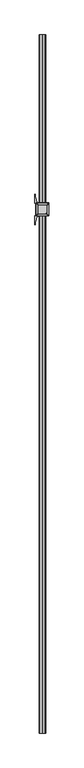
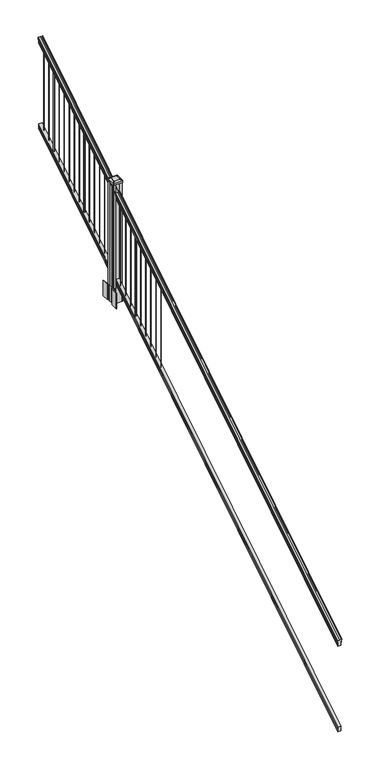
"""IFC4 building model written with IfcOpenShell, lengths in millimetres: railing geometry."""

from ifc_helpers import new_model, si_unit, point, frame, frame_2d, origin, place, context, project, spatial, polyline, circle_curve, ellipse_curve, trimmed, segment, composite_curve, outline, extrude, faceted_brep, source, transform, mapped, element, save
from ifc_brep_helpers import plane_surface, cylinder_surface, revolved_surface, extruded_surface, advanced_brep


def railing_d809eb6d(model_context):
    return source(origin(), model_context, "Body", "SolidModel", [
        advanced_brep(
        [(6977.4704765, -87458.4628453, 1133.2070492), (6977.4704765, -87458.4628453, 1135.4335658), (6978.6006628, -87458.4628453, 1137.2758543), (6978.6006628, -87458.4628453, 1145.7876358), (6977.9514064, -87458.4628453, 1148.6572588), (6980.4514064, -87458.4628453, 1153.7635509), (6981.8607489, -87458.4628453, 1155.7442021), (6982.2626479, -87458.4628453, 1157.0469579), (6982.2626478, -87458.4628453, 1158.6274846), (6980.7092005, -87458.4628453, 1160.4593836), (6960.0376478, -87458.4628453, 1160.4593836), (6939.366095, -87458.4628453, 1160.4593836), (6937.8126478, -87458.4628453, 1158.6274846), (6937.8126478, -87458.4628453, 1157.0469579), (6938.2145467, -87458.4628453, 1155.7442021), (6939.6238891, -87458.4628453, 1153.7635509), (6942.1238891, -87458.4628453, 1148.6572588), (6941.4746327, -87458.4628453, 1145.7876358), (6941.4746327, -87458.4628453, 1137.2758543), (6942.604819, -87458.4628453, 1135.4335658), (6942.604819, -87458.4628453, 1133.2070492), (6945.1786478, -87458.4628453, 1133.2070492), (6945.1786478, -87458.4628453, 1120.825537), (6944.1626478, -87458.4628453, 1119.6274214), (6944.1626478, -87458.4628453, 1104.9), (6975.9126478, -87458.4628453, 1104.9), (6975.9126478, -87458.4628453, 1119.441318), (6974.8966478, -87458.4628453, 1120.6394336), (6974.8966478, -87458.4628453, 1133.2070492), (6977.4704765, -82581.6628453, 4181.2070492), (6974.8966478, -82581.6628453, 4181.2070492), (6974.8966478, -82581.6628453, 4168.6394336), (6975.9126478, -82581.6628453, 4167.441318), (6975.9126478, -82581.6628453, 4152.9), (6944.1626478, -82581.6628453, 4152.9), (6944.1626478, -82581.6628453, 4167.6274214), (6945.1786478, -82581.6628453, 4168.825537), (6945.1786478, -82581.6628453, 4181.2070492), (6942.604819, -82581.6628453, 4181.2070492), (6942.604819, -82581.6628453, 4183.4335658), (6941.4746327, -82581.6628453, 4185.2758543), (6941.4746327, -82581.6628453, 4193.7876358), (6942.1238891, -82581.6628453, 4196.6572588), (6939.6238891, -82581.6628453, 4201.7635509), (6938.2145467, -82581.6628453, 4203.7442021), (6937.8126477, -82581.6628453, 4205.0469579), (6937.8126478, -82581.6628453, 4206.6274846), (6939.366095, -82581.6628453, 4208.4593836), (6960.0376478, -82581.6628453, 4208.4593836), (6980.7092005, -82581.6628453, 4208.4593836), (6982.2626478, -82581.6628453, 4206.6274846), (6982.2626478, -82581.6628453, 4205.0469579), (6981.8607489, -82581.6628453, 4203.7442021), (6980.4514064, -82581.6628453, 4201.7635509), (6977.9514064, -82581.6628453, 4196.6572588), (6978.6006628, -82581.6628453, 4193.7876358), (6978.6006628, -82581.6628453, 4185.2758543), (6977.4704765, -82581.6628453, 4183.4335658)],
        [
            (0, 1),
            (1, 2, ellipse_curve(frame((6971.1557232, -87458.4628453, 1142.2239405), z_axis=(0.0, -1.0, 0.0), x_axis=(0.0, 0.0, -1.0)), 10.0777926, 8.545951)),
            (2, 3, ellipse_curve(frame((6971.5927862, -87458.4628453, 1141.5317451), z_axis=(0.0, -1.0, 0.0), x_axis=(0.0, 0.0, -1.0)), 9.2955186, 7.882584)),
            (3, 4, ellipse_curve(frame((6982.1061103, -87458.4628453, 1148.4275077), z_axis=(0.0, 1.0, 0.0), x_axis=(0.0, 0.0, 1.0)), 4.9048088, 4.1592695)),
            (4, 5, ellipse_curve(frame((6983.3934169, -87458.4628453, 1148.3563208), z_axis=(0.0, 1.0, 0.0), x_axis=(0.0, 0.0, 1.0)), 6.4245301, 5.4479907)),
            (5, 6, ellipse_curve(frame((6982.1602584, -87458.4628453, 1153.7602333), z_axis=(0.0, 1.0, 0.0), x_axis=(0.0, 0.0, 1.0)), 2.0151625, 1.7088543)),
            (6, 7, ellipse_curve(frame((6980.5433583, -87458.4628453, 1157.0469579), z_axis=(0.0, -1.0, 0.0), x_axis=(0.0, 0.0, -1.0)), 2.0274681, 1.7192895)),
            (7, 8),
            (8, 9, ellipse_curve(frame((6980.7092005, -87458.4628453, 1158.6274846), z_axis=(0.0, -1.0, 0.0), x_axis=(0.0, 0.0, -1.0)), 1.831899, 1.5534472)),
            (9, 10),
            (10, 11),
            (11, 12, ellipse_curve(frame((6939.366095, -87458.4628453, 1158.6274846), z_axis=(0.0, -1.0, 0.0), x_axis=(0.0, 0.0, -1.0)), 1.831899, 1.5534472)),
            (12, 13),
            (13, 14, ellipse_curve(frame((6939.5319372, -87458.4628453, 1157.0469579), z_axis=(0.0, -1.0, 0.0), x_axis=(0.0, 0.0, -1.0)), 2.0274681, 1.7192895)),
            (14, 15, ellipse_curve(frame((6937.9150371, -87458.4628453, 1153.7602333), z_axis=(0.0, 1.0, 0.0), x_axis=(0.0, 0.0, 1.0)), 2.0151625, 1.7088543)),
            (15, 16, ellipse_curve(frame((6936.6818787, -87458.4628453, 1148.3563208), z_axis=(0.0, 1.0, 0.0), x_axis=(0.0, 0.0, 1.0)), 6.4245301, 5.4479907)),
            (16, 17, ellipse_curve(frame((6937.9691852, -87458.4628453, 1148.4275077), z_axis=(0.0, 1.0, 0.0), x_axis=(0.0, 0.0, 1.0)), 4.9048088, 4.1592695)),
            (17, 18, ellipse_curve(frame((6948.4825093, -87458.4628453, 1141.5317451), z_axis=(0.0, -1.0, 0.0), x_axis=(0.0, 0.0, -1.0)), 9.2955186, 7.882584)),
            (18, 19, ellipse_curve(frame((6948.9195723, -87458.4628453, 1142.2239405), z_axis=(0.0, -1.0, 0.0), x_axis=(0.0, 0.0, -1.0)), 10.0777926, 8.545951)),
            (19, 20),
            (20, 21, ellipse_curve(frame((6943.8917334, -87458.4628453, 1133.2070492), z_axis=(0.0, -1.0, 0.0), x_axis=(0.0, 0.0, -1.0)), 1.5175907, 1.2869144)),
            (21, 22),
            (22, 23),
            (23, 24),
            (24, 25),
            (25, 26),
            (26, 27),
            (27, 28),
            (28, 0, ellipse_curve(frame((6976.1835621, -87458.4628453, 1133.2070492), z_axis=(0.0, -1.0, 0.0), x_axis=(0.0, 0.0, -1.0)), 1.5175907, 1.2869144)),
            (29, 30, ellipse_curve(frame((6976.1835621, -82581.6628453, 4181.2070492), z_axis=(0.0, 1.0, 0.0), x_axis=(0.0, 0.0, -1.0)), 1.5175907, 1.2869144)),
            (30, 31),
            (31, 32),
            (32, 33),
            (33, 34),
            (34, 35),
            (35, 36),
            (36, 37),
            (37, 38, ellipse_curve(frame((6943.8917334, -82581.6628453, 4181.2070492), z_axis=(0.0, 1.0, 0.0), x_axis=(0.0, 0.0, -1.0)), 1.5175907, 1.2869144)),
            (38, 39),
            (39, 40, ellipse_curve(frame((6948.9195723, -82581.6628453, 4190.2239405), z_axis=(0.0, 1.0, 0.0), x_axis=(0.0, 0.0, -1.0)), 10.0777926, 8.545951)),
            (40, 41, ellipse_curve(frame((6948.4825093, -82581.6628453, 4189.5317451), z_axis=(0.0, 1.0, 0.0), x_axis=(0.0, 0.0, -1.0)), 9.2955186, 7.882584)),
            (41, 42, ellipse_curve(frame((6937.9691852, -82581.6628453, 4196.4275077), z_axis=(0.0, -1.0, 0.0), x_axis=(0.0, 0.0, 1.0)), 4.9048088, 4.1592695)),
            (42, 43, ellipse_curve(frame((6936.6818787, -82581.6628453, 4196.3563208), z_axis=(0.0, -1.0, 0.0), x_axis=(0.0, 0.0, 1.0)), 6.4245301, 5.4479907)),
            (43, 44, ellipse_curve(frame((6937.9150371, -82581.6628453, 4201.7602333), z_axis=(0.0, -1.0, 0.0), x_axis=(0.0, 0.0, 1.0)), 2.0151625, 1.7088543)),
            (44, 45, ellipse_curve(frame((6939.5319372, -82581.6628453, 4205.0469579), z_axis=(0.0, 1.0, 0.0), x_axis=(0.0, 0.0, -1.0)), 2.0274681, 1.7192895)),
            (45, 46),
            (46, 47, ellipse_curve(frame((6939.366095, -82581.6628453, 4206.6274846), z_axis=(0.0, 1.0, 0.0), x_axis=(0.0, 0.0, -1.0)), 1.831899, 1.5534472)),
            (47, 48),
            (48, 49),
            (49, 50, ellipse_curve(frame((6980.7092005, -82581.6628453, 4206.6274846), z_axis=(0.0, 1.0, 0.0), x_axis=(0.0, 0.0, -1.0)), 1.831899, 1.5534472)),
            (50, 51),
            (51, 52, ellipse_curve(frame((6980.5433583, -82581.6628453, 4205.0469579), z_axis=(0.0, 1.0, 0.0), x_axis=(0.0, 0.0, -1.0)), 2.0274681, 1.7192895)),
            (52, 53, ellipse_curve(frame((6982.1602584, -82581.6628453, 4201.7602333), z_axis=(0.0, -1.0, 0.0), x_axis=(0.0, 0.0, 1.0)), 2.0151625, 1.7088543)),
            (53, 54, ellipse_curve(frame((6983.3934169, -82581.6628453, 4196.3563208), z_axis=(0.0, -1.0, 0.0), x_axis=(0.0, 0.0, 1.0)), 6.4245301, 5.4479907)),
            (54, 55, ellipse_curve(frame((6982.1061103, -82581.6628453, 4196.4275077), z_axis=(0.0, -1.0, 0.0), x_axis=(0.0, 0.0, 1.0)), 4.9048088, 4.1592695)),
            (55, 56, ellipse_curve(frame((6971.5927862, -82581.6628453, 4189.5317451), z_axis=(0.0, 1.0, 0.0), x_axis=(0.0, 0.0, -1.0)), 9.2955186, 7.882584)),
            (56, 57, ellipse_curve(frame((6971.1557232, -82581.6628453, 4190.2239405), z_axis=(0.0, 1.0, 0.0), x_axis=(0.0, 0.0, -1.0)), 10.0777926, 8.545951)),
            (57, 29),
            (28, 30),
            (29, 0),
            (27, 31),
            (26, 32),
            (25, 33),
            (24, 34),
            (23, 35),
            (22, 36),
            (21, 37),
            (20, 38),
            (19, 39),
            (18, 40),
            (17, 41),
            (16, 42),
            (15, 43),
            (14, 44),
            (13, 45),
            (12, 46),
            (11, 47),
            (10, 48),
            (9, 49),
            (8, 50),
            (7, 51),
            (6, 52),
            (5, 53),
            (4, 54),
            (3, 55),
            (2, 56),
            (1, 57),
        ],
        [
            plane_surface(frame((6960.0376478, -87458.4628453, 1104.9), z_axis=(0.0, -1.0, 0.0), x_axis=(0.0, 0.0, 1.0))),
            plane_surface(frame((6960.0376478, -82581.6628453, 4152.9), z_axis=(0.0, 1.0, 0.0), x_axis=(0.0, 0.0, 1.0))),
            cylinder_surface(frame((6976.1835621, -87471.1851146, 1125.2556309), z_axis=(0.0, -0.8479983040051253, -0.5299989400031204), x_axis=(-1.0, 0.0, 0.0)), 1.2869144),
            plane_surface(frame((6974.8966478, -87458.4628453, 1120.6394336), z_axis=(1.0000000000000002, 0.0, 0.0), x_axis=(0.0, 0.8479983040051253, 0.5299989400031204))),
            plane_surface(frame((6975.9126478, -87458.4628453, 1119.441318), z_axis=(0.7071067811865389, -0.374765844497894, 0.5996253511967226), x_axis=(0.0, 0.8479983040051253, 0.5299989400031204))),
            plane_surface(frame((6975.9126478, -87458.4628453, 1104.9), z_axis=(1.0, 0.0, 0.0), x_axis=(0.0, 0.8479983040051252, 0.5299989400031204))),
            plane_surface(frame((6944.1626478, -87458.4628453, 1104.9), z_axis=(0.0, 0.5299989400031204, -0.8479983040051252), x_axis=(0.0, 0.8479983040051252, 0.5299989400031204))),
            plane_surface(frame((6944.1626478, -87458.4628453, 1119.6274214), z_axis=(-1.0, 0.0, 0.0), x_axis=(0.0, 0.8479983040051252, 0.5299989400031204))),
            plane_surface(frame((6945.1786478, -87458.4628453, 1120.825537), z_axis=(-0.7071067811865437, -0.37476584449788986, 0.5996253511967191), x_axis=(0.0, 0.8479983040051252, 0.5299989400031204))),
            plane_surface(frame((6945.1786478, -87458.4628453, 1133.2070492), z_axis=(-1.0, 0.0, 0.0), x_axis=(0.0, 0.8479983040051252, 0.5299989400031204))),
            cylinder_surface(frame((6943.8917334, -87471.1851146, 1125.2556309), z_axis=(0.0, -0.8479983040051253, -0.5299989400031204), x_axis=(1.0, 0.0, 0.0)), 1.2869144),
            plane_surface(frame((6942.604819, -87458.4628453, 1135.4335658), z_axis=(-1.0, 0.0, 0.0), x_axis=(0.0, 0.8479983040051252, 0.5299989400031204))),
            cylinder_surface(frame((6948.9195723, -87475.23765, 1131.7396876), z_axis=(0.0, -0.8479983040051253, -0.5299989400031204), x_axis=(1.0, 0.0, 0.0)), 8.545951),
            cylinder_surface(frame((6948.4825093, -87474.9265509, 1131.241929), z_axis=(0.0, -0.8479983040051253, -0.5299989400031204), x_axis=(1.0, 0.0, 0.0)), 7.882584),
            revolved_surface(polyline([(6942.1284547, -82579.45843685034, 4197.805262980552), (6942.1284547, -87460.66725374945, 1147.0497524190953)]), (6937.9691852, -87478.0257701, 1136.2006797), (0.0, 0.8479983040051253, 0.5299989400031204)),
            revolved_surface(polyline([(6942.129869400001, -82578.77541603574, 4198.160964077185), (6942.129869400001, -87461.35027455281, 1146.551677504493)]), (6936.6818787, -87477.993776, 1136.1494891), (0.0, 0.8479983040051253, 0.5299989400031204)),
            revolved_surface(polyline([(6939.6238914, -82580.75715429979, 4202.326290199658), (6939.6238914, -87459.36853632248, 1153.1941764359544)]), (6937.9150371, -87480.4225007, 1140.0354487), (0.0, 0.8479983040051253, 0.5299989400031204)),
            cylinder_surface(frame((6939.5319372, -87481.8996803, 1142.398936), z_axis=(0.0, -0.8479983040051253, -0.5299989400031204), x_axis=(1.0, 0.0, 0.0)), 1.7192895),
            plane_surface(frame((6937.8126478, -87458.4628453, 1158.6274846), z_axis=(-1.0, 0.0, 0.0), x_axis=(0.0, 0.8479983040051252, 0.5299989400031204))),
            cylinder_surface(frame((6939.366095, -87482.6100294, 1143.5354945), z_axis=(0.0, -0.8479983040051253, -0.5299989400031204), x_axis=(1.0, 0.0, 0.0)), 1.5534472),
            plane_surface(frame((6960.0376478, -87458.4628453, 1160.4593836), z_axis=(0.0, -0.5299989400031204, 0.8479983040051252), x_axis=(0.0, 0.8479983040051252, 0.5299989400031204))),
            plane_surface(frame((6980.7092005, -87458.4628453, 1160.4593836), z_axis=(0.0, -0.5299989400031204, 0.8479983040051252), x_axis=(0.0, 0.8479983040051252, 0.5299989400031204))),
            cylinder_surface(frame((6980.7092005, -87482.6100294, 1143.5354945), z_axis=(0.0, -0.8479983040051253, -0.5299989400031204), x_axis=(-1.0, 0.0, 0.0)), 1.5534472),
            plane_surface(frame((6982.2626478, -87458.4628453, 1157.0469579), z_axis=(1.0, 0.0, 0.0), x_axis=(0.0, 0.8479983040051252, 0.5299989400031204))),
            cylinder_surface(frame((6980.5433583, -87481.8996803, 1142.398936), z_axis=(0.0, -0.8479983040051253, -0.5299989400031204), x_axis=(-1.0, 0.0, 0.0)), 1.7192895),
            revolved_surface(polyline([(6980.4514041, -82580.75715429979, 4202.326290199658), (6980.4514041, -87459.36853632248, 1153.1941764359544)]), (6982.1602584, -87480.4225007, 1140.0354487), (0.0, 0.8479983040051253, 0.5299989400031204)),
            revolved_surface(polyline([(6977.9454262, -82578.77541603574, 4198.160964077185), (6977.9454262, -87461.35027455281, 1146.551677504493)]), (6983.3934169, -87477.993776, 1136.1494891), (0.0, 0.8479983040051253, 0.5299989400031204)),
            revolved_surface(polyline([(6977.9468408, -82579.45843685034, 4197.805262980552), (6977.9468408, -87460.66725374945, 1147.0497524190953)]), (6982.1061103, -87478.0257701, 1136.2006797), (0.0, 0.8479983040051253, 0.5299989400031204)),
            cylinder_surface(frame((6971.5927862, -87474.9265509, 1131.241929), z_axis=(0.0, -0.8479983040051253, -0.5299989400031204), x_axis=(-1.0, 0.0, 0.0)), 7.882584),
            cylinder_surface(frame((6971.1557232, -87475.23765, 1131.7396876), z_axis=(0.0, -0.8479983040051253, -0.5299989400031204), x_axis=(-1.0, 0.0, 0.0)), 8.545951),
            plane_surface(frame((6977.4704765, -87458.4628453, 1133.2070492), z_axis=(1.0, 0.0, 0.0), x_axis=(0.0, 0.8479983040051252, 0.5299989400031204))),
        ],
        [
            (0, [[1, 2, 3, 4, 5, 6, 7, 8, 9, 10, 11, 12, 13, 14, 15, 16, 17, 18, 19, 20, 21, 22, 23, 24, 25, 26, 27, 28, 29]]),
            (1, [[30, 31, 32, 33, 34, 35, 36, 37, 38, 39, 40, 41, 42, 43, 44, 45, 46, 47, 48, 49, 50, 51, 52, 53, 54, 55, 56, 57, 58]]),
            (2, [[-29, 59, -30, 60]]),
            (3, [[-28, 61, -31, -59]]),
            (4, [[-27, 62, -32, -61]]),
            (5, [[-26, 63, -33, -62]]),
            (6, [[-25, 64, -34, -63]]),
            (7, [[-24, 65, -35, -64]]),
            (8, [[-23, 66, -36, -65]]),
            (9, [[-22, 67, -37, -66]]),
            (10, [[-21, 68, -38, -67]]),
            (11, [[-20, 69, -39, -68]]),
            (12, [[-19, 70, -40, -69]]),
            (13, [[-18, 71, -41, -70]]),
            (14, [[-17, 72, -42, -71]]),
            (15, [[-16, 73, -43, -72]]),
            (16, [[-15, 74, -44, -73]]),
            (17, [[-14, 75, -45, -74]]),
            (18, [[-13, 76, -46, -75]]),
            (19, [[-12, 77, -47, -76]]),
            (20, [[-11, 78, -48, -77]]),
            (21, [[-10, 79, -49, -78]]),
            (22, [[-9, 80, -50, -79]]),
            (23, [[-8, 81, -51, -80]]),
            (24, [[-7, 82, -52, -81]]),
            (25, [[-6, 83, -53, -82]]),
            (26, [[-5, 84, -54, -83]]),
            (27, [[-4, 85, -55, -84]]),
            (28, [[-3, 86, -56, -85]]),
            (29, [[-2, 87, -57, -86]]),
            (30, [[-1, -60, -58, -87]]),
        ],
    ),
        faceted_brep([(6975.9501347, -87458.4628453, 268.8045079), (6974.9341347, -87458.4628453, 270.338026), (6974.9341347, -87458.4628453, 282.5545048), (6975.9501347, -87458.4628453, 284.1444579), (6975.9501347, -87458.4628453, 298.9244744), (6944.2001347, -87458.4628453, 298.9244744), (6944.2001347, -87458.4628453, 284.1248272), (6945.2161347, -87458.4628453, 282.5348741), (6945.2161347, -87458.4628453, 270.3748303), (6944.2001347, -87458.4628453, 268.7848772), (6944.2001347, -87458.4628453, 254.0), (6975.9501347, -87458.4628453, 254.0), (6975.9501347, -82581.6628453, 3316.8045079), (6975.9501347, -82581.6628453, 3302.0), (6944.2001347, -82581.6628453, 3302.0), (6944.2001347, -82581.6628453, 3316.7848772), (6945.2161347, -82581.6628453, 3318.3748303), (6945.2161347, -82581.6628453, 3330.5348741), (6944.2001347, -82581.6628453, 3332.1248272), (6944.2001347, -82581.6628453, 3346.9244744), (6975.9501347, -82581.6628453, 3346.9244744), (6975.9501347, -82581.6628453, 3332.1444579), (6974.9341347, -82581.6628453, 3330.5545048), (6974.9341347, -82581.6628453, 3318.338026)], [[[0, 1, 2, 3, 4, 5, 6, 7, 8, 9, 10, 11]], [[12, 13, 14, 15, 16, 17, 18, 19, 20, 21, 22, 23]], [[0, 11, 13, 12]], [[11, 10, 14, 13]], [[10, 9, 15, 14]], [[9, 8, 16, 15]], [[8, 7, 17, 16]], [[7, 6, 18, 17]], [[6, 5, 19, 18]], [[5, 4, 20, 19]], [[4, 3, 21, 20]], [[3, 2, 22, 21]], [[2, 1, 23, 22]], [[1, 0, 12, 23]]]),
        extrude(outline(composite_curve([segment(trimmed(circle_curve(frame_2d((6960.0376478, -82638.8128453)), 1.5875), [point((6961.6251478, -82638.8128453))], [point((6960.0376478, -82640.4003453))], False, "CARTESIAN"), True, "CONTINUOUS"), segment(trimmed(circle_curve(frame_2d((6960.0376478, -82638.8128453)), 1.5875), [point((6960.0376478, -82640.4003453))], [point((6958.4501478, -82638.8128453))], False, "CARTESIAN"), True, "CONTINUOUS"), segment(trimmed(circle_curve(frame_2d((6960.0376478, -82638.8128453)), 1.5875), [point((6958.4501478, -82638.8128453))], [point((6960.0376478, -82637.2253453))], False, "CARTESIAN"), True, "CONTINUOUS"), segment(trimmed(circle_curve(frame_2d((6960.0376478, -82638.8128453)), 1.5875), [point((6960.0376478, -82637.2253453))], [point((6961.6251478, -82638.8128453))], False, "CARTESIAN"), True, "CONTINUOUS")], self_intersect=False)), frame((0.0, 0.0, 3304.3771281), z_axis=(0.0, 0.0, 1.0), x_axis=(1.0, 0.0, 0.0)), (0.0, 0.0, 1.0), 812.8041219),
        extrude(outline(composite_curve([segment(trimmed(circle_curve(frame_2d((6960.0376478, -82721.3628453)), 1.5875), [point((6961.6251478, -82721.3628453))], [point((6960.0376478, -82722.9503453))], False, "CARTESIAN"), True, "CONTINUOUS"), segment(trimmed(circle_curve(frame_2d((6960.0376478, -82721.3628453)), 1.5875), [point((6960.0376478, -82722.9503453))], [point((6958.4501478, -82721.3628453))], False, "CARTESIAN"), True, "CONTINUOUS"), segment(trimmed(circle_curve(frame_2d((6960.0376478, -82721.3628453)), 1.5875), [point((6958.4501478, -82721.3628453))], [point((6960.0376478, -82719.7753453))], False, "CARTESIAN"), True, "CONTINUOUS"), segment(trimmed(circle_curve(frame_2d((6960.0376478, -82721.3628453)), 1.5875), [point((6960.0376478, -82719.7753453))], [point((6961.6251478, -82721.3628453))], False, "CARTESIAN"), True, "CONTINUOUS")], self_intersect=False)), frame((0.0, 0.0, 3252.7833781), z_axis=(0.0, 0.0, 1.0), x_axis=(1.0, 0.0, 0.0)), (0.0, 0.0, 1.0), 812.8041219),
        extrude(outline(composite_curve([segment(trimmed(circle_curve(frame_2d((6960.0376478, -82803.9128453)), 6.35), [point((6966.3876478, -82803.9128453))], [point((6960.0376478, -82810.2628453))], False, "CARTESIAN"), True, "CONTINUOUS"), segment(trimmed(circle_curve(frame_2d((6960.0376478, -82803.9128453)), 6.35), [point((6960.0376478, -82810.2628453))], [point((6953.6876478, -82803.9128453))], False, "CARTESIAN"), True, "CONTINUOUS"), segment(trimmed(circle_curve(frame_2d((6960.0376478, -82803.9128453)), 6.35), [point((6953.6876478, -82803.9128453))], [point((6960.0376478, -82797.5628453))], False, "CARTESIAN"), True, "CONTINUOUS"), segment(trimmed(circle_curve(frame_2d((6960.0376478, -82803.9128453)), 6.35), [point((6960.0376478, -82797.5628453))], [point((6966.3876478, -82803.9128453))], False, "CARTESIAN"), True, "CONTINUOUS")], self_intersect=False)), frame((0.0, 0.0, 3201.1896281), z_axis=(0.0, 0.0, 1.0), x_axis=(1.0, 0.0, 0.0)), (0.0, 0.0, 1.0), 812.8041219),
        extrude(outline(composite_curve([segment(trimmed(circle_curve(frame_2d((6960.0376478, -82886.4628453)), 1.5875), [point((6961.6251478, -82886.4628453))], [point((6960.0376478, -82888.0503453))], False, "CARTESIAN"), True, "CONTINUOUS"), segment(trimmed(circle_curve(frame_2d((6960.0376478, -82886.4628453)), 1.5875), [point((6960.0376478, -82888.0503453))], [point((6958.4501478, -82886.4628453))], False, "CARTESIAN"), True, "CONTINUOUS"), segment(trimmed(circle_curve(frame_2d((6960.0376478, -82886.4628453)), 1.5875), [point((6958.4501478, -82886.4628453))], [point((6960.0376478, -82884.8753453))], False, "CARTESIAN"), True, "CONTINUOUS"), segment(trimmed(circle_curve(frame_2d((6960.0376478, -82886.4628453)), 1.5875), [point((6960.0376478, -82884.8753453))], [point((6961.6251478, -82886.4628453))], False, "CARTESIAN"), True, "CONTINUOUS")], self_intersect=False)), frame((0.0, 0.0, 3149.5958781), z_axis=(0.0, 0.0, 1.0), x_axis=(1.0, 0.0, 0.0)), (0.0, 0.0, 1.0), 812.8041219),
        extrude(outline(composite_curve([segment(trimmed(circle_curve(frame_2d((6960.0376478, -82969.0128453)), 1.5875), [point((6961.6251478, -82969.0128453))], [point((6960.0376478, -82970.6003453))], False, "CARTESIAN"), True, "CONTINUOUS"), segment(trimmed(circle_curve(frame_2d((6960.0376478, -82969.0128453)), 1.5875), [point((6960.0376478, -82970.6003453))], [point((6958.4501478, -82969.0128453))], False, "CARTESIAN"), True, "CONTINUOUS"), segment(trimmed(circle_curve(frame_2d((6960.0376478, -82969.0128453)), 1.5875), [point((6958.4501478, -82969.0128453))], [point((6960.0376478, -82967.4253453))], False, "CARTESIAN"), True, "CONTINUOUS"), segment(trimmed(circle_curve(frame_2d((6960.0376478, -82969.0128453)), 1.5875), [point((6960.0376478, -82967.4253453))], [point((6961.6251478, -82969.0128453))], False, "CARTESIAN"), True, "CONTINUOUS")], self_intersect=False)), frame((0.0, 0.0, 3098.0021281), z_axis=(0.0, 0.0, 1.0), x_axis=(1.0, 0.0, 0.0)), (0.0, 0.0, 1.0), 812.8041219),
        extrude(outline(composite_curve([segment(trimmed(circle_curve(frame_2d((6960.0376478, -83051.5628453)), 1.5875), [point((6961.6251478, -83051.5628453))], [point((6960.0376478, -83053.1503453))], False, "CARTESIAN"), True, "CONTINUOUS"), segment(trimmed(circle_curve(frame_2d((6960.0376478, -83051.5628453)), 1.5875), [point((6960.0376478, -83053.1503453))], [point((6958.4501478, -83051.5628453))], False, "CARTESIAN"), True, "CONTINUOUS"), segment(trimmed(circle_curve(frame_2d((6960.0376478, -83051.5628453)), 1.5875), [point((6958.4501478, -83051.5628453))], [point((6960.0376478, -83049.9753453))], False, "CARTESIAN"), True, "CONTINUOUS"), segment(trimmed(circle_curve(frame_2d((6960.0376478, -83051.5628453)), 1.5875), [point((6960.0376478, -83049.9753453))], [point((6961.6251478, -83051.5628453))], False, "CARTESIAN"), True, "CONTINUOUS")], self_intersect=False)), frame((0.0, 0.0, 3046.4083781), z_axis=(0.0, 0.0, 1.0), x_axis=(1.0, 0.0, 0.0)), (0.0, 0.0, 1.0), 812.8041219),
        extrude(outline(composite_curve([segment(trimmed(circle_curve(frame_2d((6960.0376478, -83134.1128453)), 1.5875), [point((6961.6251478, -83134.1128453))], [point((6960.0376478, -83135.7003453))], False, "CARTESIAN"), True, "CONTINUOUS"), segment(trimmed(circle_curve(frame_2d((6960.0376478, -83134.1128453)), 1.5875), [point((6960.0376478, -83135.7003453))], [point((6958.4501478, -83134.1128453))], False, "CARTESIAN"), True, "CONTINUOUS"), segment(trimmed(circle_curve(frame_2d((6960.0376478, -83134.1128453)), 1.5875), [point((6958.4501478, -83134.1128453))], [point((6960.0376478, -83132.5253453))], False, "CARTESIAN"), True, "CONTINUOUS"), segment(trimmed(circle_curve(frame_2d((6960.0376478, -83134.1128453)), 1.5875), [point((6960.0376478, -83132.5253453))], [point((6961.6251478, -83134.1128453))], False, "CARTESIAN"), True, "CONTINUOUS")], self_intersect=False)), frame((0.0, 0.0, 2994.8146281), z_axis=(0.0, 0.0, 1.0), x_axis=(1.0, 0.0, 0.0)), (0.0, 0.0, 1.0), 812.8041219),
        extrude(outline(composite_curve([segment(trimmed(circle_curve(frame_2d((6960.0376478, -83216.6628453)), 1.5875), [point((6961.6251478, -83216.6628453))], [point((6960.0376478, -83218.2503453))], False, "CARTESIAN"), True, "CONTINUOUS"), segment(trimmed(circle_curve(frame_2d((6960.0376478, -83216.6628453)), 1.5875), [point((6960.0376478, -83218.2503453))], [point((6958.4501478, -83216.6628453))], False, "CARTESIAN"), True, "CONTINUOUS"), segment(trimmed(circle_curve(frame_2d((6960.0376478, -83216.6628453)), 1.5875), [point((6958.4501478, -83216.6628453))], [point((6960.0376478, -83215.0753453))], False, "CARTESIAN"), True, "CONTINUOUS"), segment(trimmed(circle_curve(frame_2d((6960.0376478, -83216.6628453)), 1.5875), [point((6960.0376478, -83215.0753453))], [point((6961.6251478, -83216.6628453))], False, "CARTESIAN"), True, "CONTINUOUS")], self_intersect=False)), frame((0.0, 0.0, 2943.2208781), z_axis=(0.0, 0.0, 1.0), x_axis=(1.0, 0.0, 0.0)), (0.0, 0.0, 1.0), 812.8041219),
        extrude(outline(composite_curve([segment(trimmed(circle_curve(frame_2d((6960.0376478, -83299.2128453)), 6.35), [point((6966.3876478, -83299.2128453))], [point((6960.0376478, -83305.5628453))], False, "CARTESIAN"), True, "CONTINUOUS"), segment(trimmed(circle_curve(frame_2d((6960.0376478, -83299.2128453)), 6.35), [point((6960.0376478, -83305.5628453))], [point((6953.6876478, -83299.2128453))], False, "CARTESIAN"), True, "CONTINUOUS"), segment(trimmed(circle_curve(frame_2d((6960.0376478, -83299.2128453)), 6.35), [point((6953.6876478, -83299.2128453))], [point((6960.0376478, -83292.8628453))], False, "CARTESIAN"), True, "CONTINUOUS"), segment(trimmed(circle_curve(frame_2d((6960.0376478, -83299.2128453)), 6.35), [point((6960.0376478, -83292.8628453))], [point((6966.3876478, -83299.2128453))], False, "CARTESIAN"), True, "CONTINUOUS")], self_intersect=False)), frame((0.0, 0.0, 2891.6271281), z_axis=(0.0, 0.0, 1.0), x_axis=(1.0, 0.0, 0.0)), (0.0, 0.0, 1.0), 812.8041219),
        extrude(outline(composite_curve([segment(trimmed(circle_curve(frame_2d((6960.0376478, -83381.7628453)), 1.5875), [point((6961.6251478, -83381.7628453))], [point((6960.0376478, -83383.3503453))], False, "CARTESIAN"), True, "CONTINUOUS"), segment(trimmed(circle_curve(frame_2d((6960.0376478, -83381.7628453)), 1.5875), [point((6960.0376478, -83383.3503453))], [point((6958.4501478, -83381.7628453))], False, "CARTESIAN"), True, "CONTINUOUS"), segment(trimmed(circle_curve(frame_2d((6960.0376478, -83381.7628453)), 1.5875), [point((6958.4501478, -83381.7628453))], [point((6960.0376478, -83380.1753453))], False, "CARTESIAN"), True, "CONTINUOUS"), segment(trimmed(circle_curve(frame_2d((6960.0376478, -83381.7628453)), 1.5875), [point((6960.0376478, -83380.1753453))], [point((6961.6251478, -83381.7628453))], False, "CARTESIAN"), True, "CONTINUOUS")], self_intersect=False)), frame((0.0, 0.0, 2840.0333781), z_axis=(0.0, 0.0, 1.0), x_axis=(1.0, 0.0, 0.0)), (0.0, 0.0, 1.0), 812.8041219),
        extrude(outline(composite_curve([segment(trimmed(circle_curve(frame_2d((6960.0376478, -83464.3128453)), 1.5875), [point((6961.6251478, -83464.3128453))], [point((6960.0376478, -83465.9003453))], False, "CARTESIAN"), True, "CONTINUOUS"), segment(trimmed(circle_curve(frame_2d((6960.0376478, -83464.3128453)), 1.5875), [point((6960.0376478, -83465.9003453))], [point((6958.4501478, -83464.3128453))], False, "CARTESIAN"), True, "CONTINUOUS"), segment(trimmed(circle_curve(frame_2d((6960.0376478, -83464.3128453)), 1.5875), [point((6958.4501478, -83464.3128453))], [point((6960.0376478, -83462.7253453))], False, "CARTESIAN"), True, "CONTINUOUS"), segment(trimmed(circle_curve(frame_2d((6960.0376478, -83464.3128453)), 1.5875), [point((6960.0376478, -83462.7253453))], [point((6961.6251478, -83464.3128453))], False, "CARTESIAN"), True, "CONTINUOUS")], self_intersect=False)), frame((0.0, 0.0, 2788.4396281), z_axis=(0.0, 0.0, 1.0), x_axis=(1.0, 0.0, 0.0)), (0.0, 0.0, 1.0), 812.8041219),
        extrude(outline(composite_curve([segment(trimmed(circle_curve(frame_2d((6960.0376478, -83546.8628453)), 1.5875), [point((6961.6251478, -83546.8628453))], [point((6960.0376478, -83548.4503453))], False, "CARTESIAN"), True, "CONTINUOUS"), segment(trimmed(circle_curve(frame_2d((6960.0376478, -83546.8628453)), 1.5875), [point((6960.0376478, -83548.4503453))], [point((6958.4501478, -83546.8628453))], False, "CARTESIAN"), True, "CONTINUOUS"), segment(trimmed(circle_curve(frame_2d((6960.0376478, -83546.8628453)), 1.5875), [point((6958.4501478, -83546.8628453))], [point((6960.0376478, -83545.2753453))], False, "CARTESIAN"), True, "CONTINUOUS"), segment(trimmed(circle_curve(frame_2d((6960.0376478, -83546.8628453)), 1.5875), [point((6960.0376478, -83545.2753453))], [point((6961.6251478, -83546.8628453))], False, "CARTESIAN"), True, "CONTINUOUS")], self_intersect=False)), frame((0.0, 0.0, 2736.8458781), z_axis=(0.0, 0.0, 1.0), x_axis=(1.0, 0.0, 0.0)), (0.0, 0.0, 1.0), 812.8041219),
        extrude(outline(composite_curve([segment(trimmed(circle_curve(frame_2d((6960.0376478, -83629.4128453)), 1.5875), [point((6961.6251478, -83629.4128453))], [point((6960.0376478, -83631.0003453))], False, "CARTESIAN"), True, "CONTINUOUS"), segment(trimmed(circle_curve(frame_2d((6960.0376478, -83629.4128453)), 1.5875), [point((6960.0376478, -83631.0003453))], [point((6958.4501478, -83629.4128453))], False, "CARTESIAN"), True, "CONTINUOUS"), segment(trimmed(circle_curve(frame_2d((6960.0376478, -83629.4128453)), 1.5875), [point((6958.4501478, -83629.4128453))], [point((6960.0376478, -83627.8253453))], False, "CARTESIAN"), True, "CONTINUOUS"), segment(trimmed(circle_curve(frame_2d((6960.0376478, -83629.4128453)), 1.5875), [point((6960.0376478, -83627.8253453))], [point((6961.6251478, -83629.4128453))], False, "CARTESIAN"), True, "CONTINUOUS")], self_intersect=False)), frame((0.0, 0.0, 2685.2521281), z_axis=(0.0, 0.0, 1.0), x_axis=(1.0, 0.0, 0.0)), (0.0, 0.0, 1.0), 812.8041219),
        extrude(outline(composite_curve([segment(trimmed(circle_curve(frame_2d((6960.0376478, -83711.9628453)), 1.5875), [point((6961.6251478, -83711.9628453))], [point((6960.0376478, -83713.5503453))], False, "CARTESIAN"), True, "CONTINUOUS"), segment(trimmed(circle_curve(frame_2d((6960.0376478, -83711.9628453)), 1.5875), [point((6960.0376478, -83713.5503453))], [point((6958.4501478, -83711.9628453))], False, "CARTESIAN"), True, "CONTINUOUS"), segment(trimmed(circle_curve(frame_2d((6960.0376478, -83711.9628453)), 1.5875), [point((6958.4501478, -83711.9628453))], [point((6960.0376478, -83710.3753453))], False, "CARTESIAN"), True, "CONTINUOUS"), segment(trimmed(circle_curve(frame_2d((6960.0376478, -83711.9628453)), 1.5875), [point((6960.0376478, -83710.3753453))], [point((6961.6251478, -83711.9628453))], False, "CARTESIAN"), True, "CONTINUOUS")], self_intersect=False)), frame((0.0, 0.0, 2633.6583781), z_axis=(0.0, 0.0, 1.0), x_axis=(1.0, 0.0, 0.0)), (0.0, 0.0, 1.0), 812.8041219),
        extrude(outline(composite_curve([segment(polyline([(7002.7731478, -83818.2489401), (7004.3606478, -83819.0109401), (7004.3606478, -83841.8128682), (7000.9876707, -83845.1858453), (6939.5279999, -83845.1858453), (6939.5279999, -83846.1065953), (6934.2104561, -83846.1065953), (6934.2104561, -83847.56085), (6929.1259264, -83847.56085), (6929.1259264, -83848.8448738), (6927.4586541, -83848.8448738)]), True, "CONTINUOUS"), segment(trimmed(circle_curve(frame_2d((6927.4586541, -83855.9043337)), 7.0594599), [point((6927.4586541, -83848.8448738))], [point((6920.6913912, -83853.894327))], True, "CARTESIAN"), True, "CONTINUOUS"), segment(polyline([(6920.6913912, -83853.894327), (6912.8171969, -83880.4050561)]), True, "CONTINUOUS"), segment(trimmed(circle_curve(frame_2d((6967.6017103, -83896.6771057)), 57.15), [point((6912.8171969, -83880.4050561))], [point((6910.4517103, -83896.6771057))], True, "CARTESIAN"), True, "CONTINUOUS"), segment(polyline([(6910.4517103, -83896.6771057), (6910.4517103, -83908.6858453), (6907.4517103, -83908.6858453), (6907.4517103, -83843.5983453), (6915.7146478, -83832.260054), (6915.7146478, -83819.0109401), (6917.3021478, -83818.2489401), (6917.3021478, -83783.4767504), (6915.7146478, -83782.7147504), (6915.7146478, -83769.4656366), (6907.4517103, -83758.1273453), (6907.4517103, -83693.0398453), (6910.4517103, -83693.0398453), (6910.4517103, -83705.0485848)]), True, "CONTINUOUS"), segment(trimmed(circle_curve(frame_2d((6967.6017103, -83705.0485848)), 57.15), [point((6910.4517103, -83705.0485848))], [point((6912.8171969, -83721.3206345))], True, "CARTESIAN"), True, "CONTINUOUS"), segment(polyline([(6912.8171969, -83721.3206345), (6920.6913912, -83747.8313636)]), True, "CONTINUOUS"), segment(trimmed(circle_curve(frame_2d((6927.4586541, -83745.8213569)), 7.0594599), [point((6920.6913912, -83747.8313636))], [point((6927.4586541, -83752.8808168))], True, "CARTESIAN"), True, "CONTINUOUS"), segment(polyline([(6927.4586541, -83752.8808168), (6929.1259264, -83752.8808168), (6929.1259264, -83754.1648406), (6934.2104561, -83754.1648406), (6934.2104561, -83755.6190953), (6939.5279999, -83755.6190953), (6939.5279999, -83756.5398453), (7000.9876707, -83756.5398453), (7004.3606478, -83759.9128224), (7004.3606478, -83782.7147504), (7002.7731478, -83783.4767504), (7002.7731478, -83818.2489401)]), True, "CONTINUOUS")], self_intersect=False), holes=[polyline([(6918.7626478, -83761.1753453), (6918.7626478, -83840.5503453), (6920.3501478, -83842.1378453), (6957.2744304, -83842.1378453), (6999.7251478, -83842.1378453), (7001.3126478, -83840.5503453), (7001.3126478, -83761.1753453), (6999.7251478, -83759.5878453), (6957.2744304, -83759.5878453), (6920.3501478, -83759.5878453), (6918.7626478, -83761.1753453)])]), frame((0.0, 0.0, 2324.1), z_axis=(0.0, 0.0, 1.0), x_axis=(1.0, 0.0, 0.0)), (0.0, 0.0, 1.0), 152.4),
        advanced_brep(
        [(6934.2407728, -83829.8347203, 3536.439263), (6985.8345228, -83829.8347203, 3536.439263), (6989.0095228, -83826.6597203, 3536.439263), (6989.0095228, -83775.0659703, 3536.439263), (6985.8345228, -83771.8909703, 3536.439263), (6934.2407728, -83771.8909703, 3536.439263), (6931.0657728, -83775.0659703, 3536.439263), (6931.0657728, -83826.6597203, 3536.439263), (6917.9688978, -83846.1065953, 3525.136263), (6914.7938978, -83842.9315953, 3525.136263), (6914.7938978, -83758.7940953, 3525.136263), (6917.9688978, -83755.6190953, 3525.136263), (7002.1063978, -83755.6190953, 3525.136263), (7005.2813978, -83758.7940953, 3525.136263), (7005.2813978, -83842.9315953, 3525.136263), (7002.1063978, -83846.1065953, 3525.136263)],
        [
            (0, 1),
            (1, 2, circle_curve(frame((6985.8345228, -83826.6597203, 3536.439263), z_axis=(0.0, 0.0, 1.0), x_axis=(0.0, 1.0, 0.0)), 3.175)),
            (2, 3),
            (3, 4, circle_curve(frame((6985.8345228, -83775.0659703, 3536.439263), z_axis=(0.0, 0.0, 1.0), x_axis=(0.0, 1.0, 0.0)), 3.175)),
            (4, 5),
            (5, 6, circle_curve(frame((6934.2407728, -83775.0659703, 3536.439263), z_axis=(0.0, 0.0, 1.0), x_axis=(0.0, 1.0, 0.0)), 3.175)),
            (6, 7),
            (7, 0, circle_curve(frame((6934.2407728, -83826.6597203, 3536.439263), z_axis=(0.0, 0.0, 1.0), x_axis=(0.0, 1.0, 0.0)), 3.175)),
            (8, 9, circle_curve(frame((6917.9688978, -83842.9315953, 3525.136263), z_axis=(0.0, 0.0, -1.0), x_axis=(0.0, 1.0, 0.0)), 3.175)),
            (9, 10),
            (10, 11, circle_curve(frame((6917.9688978, -83758.7940953, 3525.136263), z_axis=(0.0, 0.0, -1.0), x_axis=(0.0, 1.0, 0.0)), 3.175)),
            (11, 12),
            (12, 13, circle_curve(frame((7002.1063978, -83758.7940953, 3525.136263), z_axis=(0.0, 0.0, -1.0), x_axis=(0.0, 1.0, 0.0)), 3.175)),
            (13, 14),
            (14, 15, circle_curve(frame((7002.1063978, -83842.9315953, 3525.136263), z_axis=(0.0, 0.0, -1.0), x_axis=(0.0, 1.0, 0.0)), 3.175)),
            (15, 8),
            (8, 0),
            (7, 9),
            (6, 10),
            (5, 11),
            (4, 12),
            (3, 13),
            (2, 14),
            (1, 15),
        ],
        [
            plane_surface(frame((6960.0376478, -83800.8628453, 3536.439263), z_axis=(0.0, 0.0, 1.0), x_axis=(-1.0, 0.0, 0.0))),
            plane_surface(frame((6960.0376478, -83800.8628453, 3525.136263), z_axis=(0.0, 0.0, -1.0), x_axis=(-1.0, 0.0, 0.0))),
            extruded_surface(trimmed(circle_curve(frame((6934.2407728, -83826.6597203, 3536.439263), z_axis=(0.0, 0.0, -1.0), x_axis=(0.0, 1.0, 0.0)), 3.175), [point((6934.2407728, -83829.8347203, 3536.439263))], [point((6931.0657728, -83826.6597203, 3536.439263))], True, "CARTESIAN"), (-16.271874999999454, -16.27187500000582, -11.303000000000338), 25.63797263886966),
            plane_surface(frame((6914.7938978, -83800.8628453, 3525.136263), z_axis=(-0.5705009161540778, 0.0, 0.8212969649690408), x_axis=(0.0, 1.0, 0.0))),
            extruded_surface(trimmed(circle_curve(frame((6934.2407728, -83775.0659703, 3536.439263), z_axis=(0.0, 0.0, -1.0), x_axis=(0.0, 1.0, 0.0)), 3.175), [point((6931.0657728, -83775.0659703, 3536.439263))], [point((6934.2407728, -83771.8909703, 3536.439263))], True, "CARTESIAN"), (-16.271874999999454, 16.27187499999127, -11.303000000000338), 25.637972638860422),
            plane_surface(frame((6960.0376478, -83755.6190953, 3525.136263), z_axis=(0.0, 0.5705009161540291, 0.8212969649690747), x_axis=(1.0, 0.0, 0.0))),
            extruded_surface(trimmed(circle_curve(frame((6985.8345228, -83775.0659703, 3536.439263), z_axis=(0.0, 0.0, -1.0), x_axis=(0.0, 1.0, 0.0)), 3.175), [point((6985.8345228, -83771.8909703, 3536.439263))], [point((6989.0095228, -83775.0659703, 3536.439263))], True, "CARTESIAN"), (16.271875000000364, 16.27187499999127, -11.303000000000338), 25.637972638861),
            plane_surface(frame((7005.2813978, -83800.8628453, 3525.136263), z_axis=(0.5705009161540142, 0.0, 0.8212969649690851), x_axis=(0.0, -1.0, 0.0))),
            extruded_surface(trimmed(circle_curve(frame((6985.8345228, -83826.6597203, 3536.439263), z_axis=(0.0, 0.0, -1.0), x_axis=(0.0, 1.0, 0.0)), 3.175), [point((6989.0095228, -83826.6597203, 3536.439263))], [point((6985.8345228, -83829.8347203, 3536.439263))], True, "CARTESIAN"), (16.271875000000364, -16.27187500000582, -11.303000000000338), 25.637972638870238),
            plane_surface(frame((6960.0376478, -83846.1065953, 3525.136263), z_axis=(0.0, -0.570500916154034, 0.8212969649690713), x_axis=(-1.0, 0.0, 0.0))),
        ],
        [
            (0, [[1, 2, 3, 4, 5, 6, 7, 8]]),
            (1, [[9, 10, 11, 12, 13, 14, 15, 16]]),
            (2, [[17, -8, 18, -9]]),
            (3, [[-18, -7, 19, -10]]),
            (4, [[-19, -6, 20, -11]]),
            (5, [[-20, -5, 21, -12]]),
            (6, [[-21, -4, 22, -13]]),
            (7, [[-22, -3, 23, -14]]),
            (8, [[-23, -2, 24, -15]]),
            (9, [[-24, -1, -17, -16]]),
        ],
    ),
        extrude(outline(composite_curve([segment(trimmed(circle_curve(frame_2d((6917.9688978, -83842.9315953)), 3.175), [point((6917.9688978, -83846.1065953))], [point((6914.7938978, -83842.9315953))], False, "CARTESIAN"), True, "CONTINUOUS"), segment(polyline([(6914.7938978, -83842.9315953), (6914.7938978, -83758.7940953)]), True, "CONTINUOUS"), segment(trimmed(circle_curve(frame_2d((6917.9688978, -83758.7940953)), 3.175), [point((6914.7938978, -83758.7940953))], [point((6917.9688978, -83755.6190953))], False, "CARTESIAN"), True, "CONTINUOUS"), segment(polyline([(6917.9688978, -83755.6190953), (7002.1063978, -83755.6190953)]), True, "CONTINUOUS"), segment(trimmed(circle_curve(frame_2d((7002.1063978, -83758.7940953)), 3.175), [point((7002.1063978, -83755.6190953))], [point((7005.2813978, -83758.7940953))], False, "CARTESIAN"), True, "CONTINUOUS"), segment(polyline([(7005.2813978, -83758.7940953), (7005.2813978, -83842.9315953)]), True, "CONTINUOUS"), segment(trimmed(circle_curve(frame_2d((7002.1063978, -83842.9315953)), 3.175), [point((7005.2813978, -83842.9315953))], [point((7002.1063978, -83846.1065953))], False, "CARTESIAN"), True, "CONTINUOUS"), segment(polyline([(7002.1063978, -83846.1065953), (6917.9688978, -83846.1065953)]), True, "CONTINUOUS")], self_intersect=False)), frame((0.0, 0.0, 3507.864263), z_axis=(0.0, 0.0, 1.0), x_axis=(1.0, 0.0, 0.0)), (0.0, 0.0, 1.0), 17.272),
        extrude(outline(polyline([(6920.3501478, -83842.1378453), (6918.7626478, -83840.5503453), (6918.7626478, -83820.9288453), (6920.3501478, -83820.1668453), (6920.3501478, -83781.5588453), (6918.7626478, -83780.7968453), (6918.7626478, -83761.1753453), (6920.3501478, -83759.5878453), (6939.9716478, -83759.5878453), (6940.7336478, -83761.1753453), (6979.3416478, -83761.1753453), (6980.1036478, -83759.5878453), (6999.7251478, -83759.5878453), (7001.3126478, -83761.1753453), (7001.3126478, -83780.7968453), (6999.7251478, -83781.5588453), (6999.7251478, -83820.1668453), (7001.3126478, -83820.9288453), (7001.3126478, -83840.5503453), (6999.7251478, -83842.1378453), (6980.1036478, -83842.1378453), (6979.3416478, -83840.5503453), (6940.7336478, -83840.5503453), (6939.9716478, -83842.1378453), (6920.3501478, -83842.1378453)])), frame((0.0, 0.0, 2476.5), z_axis=(0.0, 0.0, 1.0), x_axis=(1.0, 0.0, 0.0)), (0.0, 0.0, 1.0), 1031.364263),
        extrude(outline(composite_curve([segment(trimmed(circle_curve(frame_2d((6960.0376478, -83889.7628453)), 1.5875), [point((6961.6251478, -83889.7628453))], [point((6960.0376478, -83891.3503453))], False, "CARTESIAN"), True, "CONTINUOUS"), segment(trimmed(circle_curve(frame_2d((6960.0376478, -83889.7628453)), 1.5875), [point((6960.0376478, -83891.3503453))], [point((6958.4501478, -83889.7628453))], False, "CARTESIAN"), True, "CONTINUOUS"), segment(trimmed(circle_curve(frame_2d((6960.0376478, -83889.7628453)), 1.5875), [point((6958.4501478, -83889.7628453))], [point((6960.0376478, -83888.1753453))], False, "CARTESIAN"), True, "CONTINUOUS"), segment(trimmed(circle_curve(frame_2d((6960.0376478, -83889.7628453)), 1.5875), [point((6960.0376478, -83888.1753453))], [point((6961.6251478, -83889.7628453))], False, "CARTESIAN"), True, "CONTINUOUS")], self_intersect=False)), frame((0.0, 0.0, 2522.5333781), z_axis=(0.0, 0.0, 1.0), x_axis=(1.0, 0.0, 0.0)), (0.0, 0.0, 1.0), 812.8041219),
        extrude(outline(composite_curve([segment(trimmed(circle_curve(frame_2d((6960.0376478, -83972.3128453)), 1.5875), [point((6961.6251478, -83972.3128453))], [point((6960.0376478, -83973.9003453))], False, "CARTESIAN"), True, "CONTINUOUS"), segment(trimmed(circle_curve(frame_2d((6960.0376478, -83972.3128453)), 1.5875), [point((6960.0376478, -83973.9003453))], [point((6958.4501478, -83972.3128453))], False, "CARTESIAN"), True, "CONTINUOUS"), segment(trimmed(circle_curve(frame_2d((6960.0376478, -83972.3128453)), 1.5875), [point((6958.4501478, -83972.3128453))], [point((6960.0376478, -83970.7253453))], False, "CARTESIAN"), True, "CONTINUOUS"), segment(trimmed(circle_curve(frame_2d((6960.0376478, -83972.3128453)), 1.5875), [point((6960.0376478, -83970.7253453))], [point((6961.6251478, -83972.3128453))], False, "CARTESIAN"), True, "CONTINUOUS")], self_intersect=False)), frame((0.0, 0.0, 2470.9396281), z_axis=(0.0, 0.0, 1.0), x_axis=(1.0, 0.0, 0.0)), (0.0, 0.0, 1.0), 812.8041219),
        extrude(outline(composite_curve([segment(trimmed(circle_curve(frame_2d((6960.0376478, -84054.8628453)), 1.5875), [point((6961.6251478, -84054.8628453))], [point((6960.0376478, -84056.4503453))], False, "CARTESIAN"), True, "CONTINUOUS"), segment(trimmed(circle_curve(frame_2d((6960.0376478, -84054.8628453)), 1.5875), [point((6960.0376478, -84056.4503453))], [point((6958.4501478, -84054.8628453))], False, "CARTESIAN"), True, "CONTINUOUS"), segment(trimmed(circle_curve(frame_2d((6960.0376478, -84054.8628453)), 1.5875), [point((6958.4501478, -84054.8628453))], [point((6960.0376478, -84053.2753453))], False, "CARTESIAN"), True, "CONTINUOUS"), segment(trimmed(circle_curve(frame_2d((6960.0376478, -84054.8628453)), 1.5875), [point((6960.0376478, -84053.2753453))], [point((6961.6251478, -84054.8628453))], False, "CARTESIAN"), True, "CONTINUOUS")], self_intersect=False)), frame((0.0, 0.0, 2419.3458781), z_axis=(0.0, 0.0, 1.0), x_axis=(1.0, 0.0, 0.0)), (0.0, 0.0, 1.0), 812.8041219),
        extrude(outline(composite_curve([segment(trimmed(circle_curve(frame_2d((6960.0376478, -84137.4128453)), 6.35), [point((6966.3876478, -84137.4128453))], [point((6960.0376478, -84143.7628453))], False, "CARTESIAN"), True, "CONTINUOUS"), segment(trimmed(circle_curve(frame_2d((6960.0376478, -84137.4128453)), 6.35), [point((6960.0376478, -84143.7628453))], [point((6953.6876478, -84137.4128453))], False, "CARTESIAN"), True, "CONTINUOUS"), segment(trimmed(circle_curve(frame_2d((6960.0376478, -84137.4128453)), 6.35), [point((6953.6876478, -84137.4128453))], [point((6960.0376478, -84131.0628453))], False, "CARTESIAN"), True, "CONTINUOUS"), segment(trimmed(circle_curve(frame_2d((6960.0376478, -84137.4128453)), 6.35), [point((6960.0376478, -84131.0628453))], [point((6966.3876478, -84137.4128453))], False, "CARTESIAN"), True, "CONTINUOUS")], self_intersect=False)), frame((0.0, 0.0, 2367.7521281), z_axis=(0.0, 0.0, 1.0), x_axis=(1.0, 0.0, 0.0)), (0.0, 0.0, 1.0), 812.8041219),
        extrude(outline(composite_curve([segment(trimmed(circle_curve(frame_2d((6960.0376478, -84219.9628453)), 1.5875), [point((6961.6251478, -84219.9628453))], [point((6960.0376478, -84221.5503453))], False, "CARTESIAN"), True, "CONTINUOUS"), segment(trimmed(circle_curve(frame_2d((6960.0376478, -84219.9628453)), 1.5875), [point((6960.0376478, -84221.5503453))], [point((6958.4501478, -84219.9628453))], False, "CARTESIAN"), True, "CONTINUOUS"), segment(trimmed(circle_curve(frame_2d((6960.0376478, -84219.9628453)), 1.5875), [point((6958.4501478, -84219.9628453))], [point((6960.0376478, -84218.3753453))], False, "CARTESIAN"), True, "CONTINUOUS"), segment(trimmed(circle_curve(frame_2d((6960.0376478, -84219.9628453)), 1.5875), [point((6960.0376478, -84218.3753453))], [point((6961.6251478, -84219.9628453))], False, "CARTESIAN"), True, "CONTINUOUS")], self_intersect=False)), frame((0.0, 0.0, 2316.1583781), z_axis=(0.0, 0.0, 1.0), x_axis=(1.0, 0.0, 0.0)), (0.0, 0.0, 1.0), 812.8041219),
        extrude(outline(composite_curve([segment(trimmed(circle_curve(frame_2d((6960.0376478, -84302.5128453)), 1.5875), [point((6961.6251478, -84302.5128453))], [point((6960.0376478, -84304.1003453))], False, "CARTESIAN"), True, "CONTINUOUS"), segment(trimmed(circle_curve(frame_2d((6960.0376478, -84302.5128453)), 1.5875), [point((6960.0376478, -84304.1003453))], [point((6958.4501478, -84302.5128453))], False, "CARTESIAN"), True, "CONTINUOUS"), segment(trimmed(circle_curve(frame_2d((6960.0376478, -84302.5128453)), 1.5875), [point((6958.4501478, -84302.5128453))], [point((6960.0376478, -84300.9253453))], False, "CARTESIAN"), True, "CONTINUOUS"), segment(trimmed(circle_curve(frame_2d((6960.0376478, -84302.5128453)), 1.5875), [point((6960.0376478, -84300.9253453))], [point((6961.6251478, -84302.5128453))], False, "CARTESIAN"), True, "CONTINUOUS")], self_intersect=False)), frame((0.0, 0.0, 2264.5646281), z_axis=(0.0, 0.0, 1.0), x_axis=(1.0, 0.0, 0.0)), (0.0, 0.0, 1.0), 812.8041219),
        extrude(outline(composite_curve([segment(trimmed(circle_curve(frame_2d((6960.0376478, -84385.0628453)), 1.5875), [point((6961.6251478, -84385.0628453))], [point((6960.0376478, -84386.6503453))], False, "CARTESIAN"), True, "CONTINUOUS"), segment(trimmed(circle_curve(frame_2d((6960.0376478, -84385.0628453)), 1.5875), [point((6960.0376478, -84386.6503453))], [point((6958.4501478, -84385.0628453))], False, "CARTESIAN"), True, "CONTINUOUS"), segment(trimmed(circle_curve(frame_2d((6960.0376478, -84385.0628453)), 1.5875), [point((6958.4501478, -84385.0628453))], [point((6960.0376478, -84383.4753453))], False, "CARTESIAN"), True, "CONTINUOUS"), segment(trimmed(circle_curve(frame_2d((6960.0376478, -84385.0628453)), 1.5875), [point((6960.0376478, -84383.4753453))], [point((6961.6251478, -84385.0628453))], False, "CARTESIAN"), True, "CONTINUOUS")], self_intersect=False)), frame((0.0, 0.0, 2212.9708781), z_axis=(0.0, 0.0, 1.0), x_axis=(1.0, 0.0, 0.0)), (0.0, 0.0, 1.0), 812.8041219),
        extrude(outline(composite_curve([segment(trimmed(circle_curve(frame_2d((6960.0376478, -84467.6128453)), 1.5875), [point((6961.6251478, -84467.6128453))], [point((6960.0376478, -84469.2003453))], False, "CARTESIAN"), True, "CONTINUOUS"), segment(trimmed(circle_curve(frame_2d((6960.0376478, -84467.6128453)), 1.5875), [point((6960.0376478, -84469.2003453))], [point((6958.4501478, -84467.6128453))], False, "CARTESIAN"), True, "CONTINUOUS"), segment(trimmed(circle_curve(frame_2d((6960.0376478, -84467.6128453)), 1.5875), [point((6958.4501478, -84467.6128453))], [point((6960.0376478, -84466.0253453))], False, "CARTESIAN"), True, "CONTINUOUS"), segment(trimmed(circle_curve(frame_2d((6960.0376478, -84467.6128453)), 1.5875), [point((6960.0376478, -84466.0253453))], [point((6961.6251478, -84467.6128453))], False, "CARTESIAN"), True, "CONTINUOUS")], self_intersect=False)), frame((0.0, 0.0, 2161.3771281), z_axis=(0.0, 0.0, 1.0), x_axis=(1.0, 0.0, 0.0)), (0.0, 0.0, 1.0), 812.8041219),
        extrude(outline(composite_curve([segment(trimmed(circle_curve(frame_2d((6960.0376478, -84550.1628453)), 1.5875), [point((6961.6251478, -84550.1628453))], [point((6960.0376478, -84551.7503453))], False, "CARTESIAN"), True, "CONTINUOUS"), segment(trimmed(circle_curve(frame_2d((6960.0376478, -84550.1628453)), 1.5875), [point((6960.0376478, -84551.7503453))], [point((6958.4501478, -84550.1628453))], False, "CARTESIAN"), True, "CONTINUOUS"), segment(trimmed(circle_curve(frame_2d((6960.0376478, -84550.1628453)), 1.5875), [point((6958.4501478, -84550.1628453))], [point((6960.0376478, -84548.5753453))], False, "CARTESIAN"), True, "CONTINUOUS"), segment(trimmed(circle_curve(frame_2d((6960.0376478, -84550.1628453)), 1.5875), [point((6960.0376478, -84548.5753453))], [point((6961.6251478, -84550.1628453))], False, "CARTESIAN"), True, "CONTINUOUS")], self_intersect=False)), frame((0.0, 0.0, 2109.7833781), z_axis=(0.0, 0.0, 1.0), x_axis=(1.0, 0.0, 0.0)), (0.0, 0.0, 1.0), 812.8041219),
    ])


if __name__ == "__main__":
    model = new_model("IFC4")
    model_context = context("Model", 3, world=origin())
    ifc_project = project(units=[si_unit("LENGTHUNIT", "METRE", prefix="MILLI")], contexts=[model_context])
    site = spatial("IfcSite", under=ifc_project)
    building = spatial("IfcBuilding", under=site)
    placement = place(None, origin())
    railing_shape = railing_d809eb6d(model_context)
    element("IfcRailing", 1, at=placement, inside=building, context=model_context, shape_type="MappedRepresentation", body=[
        mapped(railing_shape, transform((0.0, 0.0, 0.0), x_axis=(1.0, 0.0, 0.0), y_axis=(0.0, 1.0, 0.0), z_axis=(0.0, 0.0, 1.0))),
    ])
    save(model, "model.ifc")
